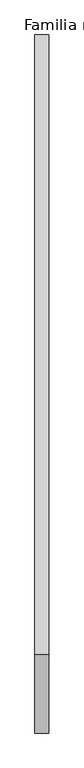
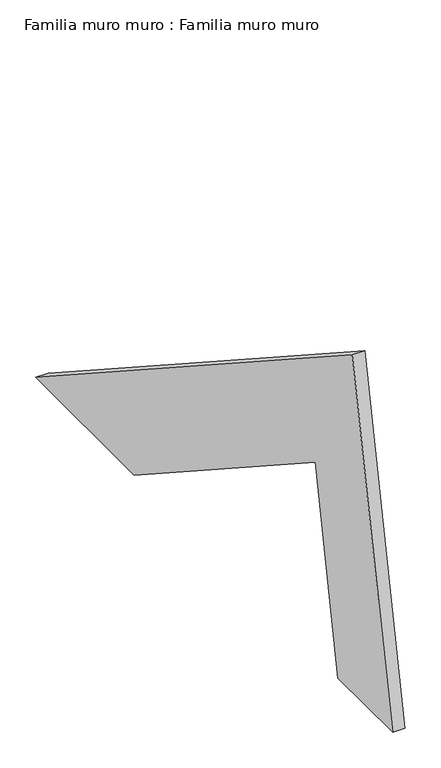
"""IFC4 building model written with IfcOpenShell, lengths in millimetres: plate geometry, Familia muro muro : Familia muro muro."""

from ifc_helpers import new_model, si_unit, frame, origin, place, context, project, spatial, polyline, outline, extrude, source, transform, mapped, element, save


def familia_muro_muro_familia_muro_muro_5c5b1a23(model_context):
    return source(origin(), model_context, "Body", "SweptSolid", [
        extrude(outline(polyline([(-887.9164832, 576.6197063), (0.0, 0.0), (-275.4117688, 0.0), (-783.1053011, 329.7000349), (-847.1924958, 0.0), (-1000.0, 0.0), (-887.9164832, 576.6197063)])), frame((0.0, 0.0, 0.0), z_axis=(1.0, 0.0, 0.0), x_axis=(0.0, 1.0, 0.0)), (0.0, 0.0, 1.0), 20.0),
    ])


if __name__ == "__main__":
    model = new_model("IFC4")
    model_context = context("Model", 3, world=origin())
    ifc_project = project(units=[si_unit("LENGTHUNIT", "METRE", prefix="MILLI")], contexts=[model_context])
    site = spatial("IfcSite", under=ifc_project)
    building = spatial("IfcBuilding", under=site)
    placement = place(None, origin())
    familia_muro_muro_familia_muro_muro_shape = familia_muro_muro_familia_muro_muro_5c5b1a23(model_context)
    element("IfcPlate", 1, ObjectType="Familia muro muro : Familia muro muro", at=placement, inside=building, context=model_context, shape_type="MappedRepresentation", body=[
        mapped(familia_muro_muro_familia_muro_muro_shape, transform((0.0, 0.0, 0.0), x_axis=(1.0, 0.0, 0.0), y_axis=(0.0, 1.0, 0.0), z_axis=(0.0, 0.0, 1.0))),
    ])
    save(model, "model.ifc")
